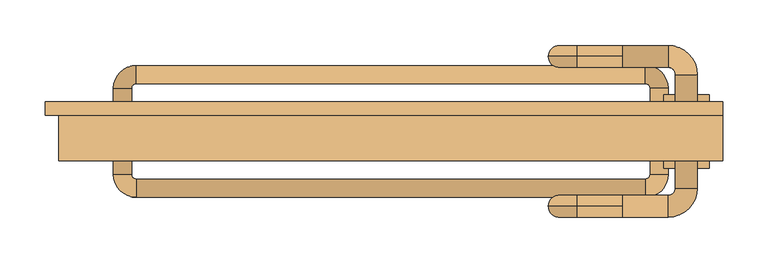
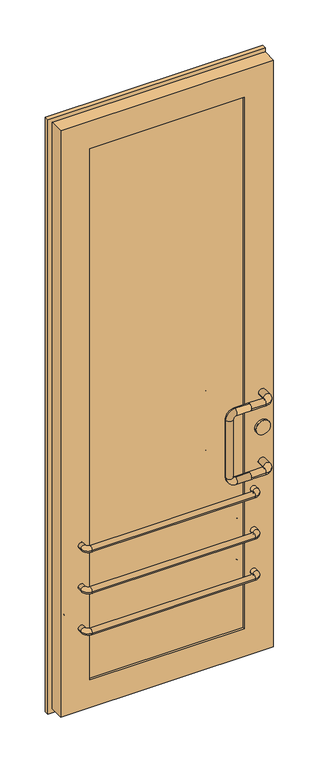
"""IFC4 building model written with IfcOpenShell, lengths in millimetres: door geometry."""

from ifc_helpers import new_model, si_unit, point, frame, frame_2d, origin, place, context, project, spatial, polyline, circle_curve, ellipse_curve, trimmed, segment, composite_curve, outline, extrude, faceted_brep, source, transform, mapped, element, save
from ifc_brep_helpers import cylinder_surface, revolved_surface, advanced_brep


def door_cca6e81a(model_context):
    return source(origin(), model_context, "Body", "SolidModel", [
        faceted_brep([(-100.0, 47.5, 160.0), (-631.3125, 47.5, 160.0), (-631.3125, -17.5, 160.0), (-100.0, -17.5, 160.0), (-746.3125, 47.5, 45.0), (0.0, 47.5, 45.0), (0.0, 32.5, 45.0), (-746.3125, 32.5, 45.0), (0.0, -17.5, 60.0), (-731.3125, -17.5, 60.0), (-731.3125, 32.5, 60.0), (0.0, 32.5, 60.0), (-631.3125, 47.5, 2090.125), (-631.3125, -17.5, 2090.125), (-746.3125, 32.5, 2205.125), (-746.3125, 47.5, 2205.125), (-731.3125, -17.5, 2190.125), (-731.3125, 32.5, 2190.125), (-100.0, 47.5, 2090.125), (-100.0, -17.5, 2090.125), (0.0, 32.5, 2205.125), (0.0, 47.5, 2205.125), (0.0, -17.5, 2190.125), (0.0, 32.5, 2190.125)], [[[0, 1, 2, 3]], [[4, 5, 6, 7]], [[8, 9, 10, 11]], [[1, 12, 13, 2]], [[7, 14, 15, 4]], [[9, 16, 17, 10]], [[12, 18, 19, 13]], [[14, 20, 21, 15]], [[16, 22, 23, 17]], [[3, 19, 18, 0]], [[15, 21, 5, 4], [0, 18, 12, 1]], [[10, 17, 23, 20, 14, 7, 6, 11]], [[11, 6, 5, 21, 20, 23, 22, 8]], [[8, 22, 16, 9], [2, 13, 19, 3]]]),
        advanced_brep(
        [(-60.0, -32.5, 360.0), (-60.0, 62.5, 360.0), (-80.0, 62.5, 360.0), (-80.0, -32.5, 360.0), (-85.0, 87.5, 360.0), (-85.0, 67.5, 360.0), (-646.3125, 87.5, 360.0), (-646.3125, 67.5, 360.0), (-671.3125, 62.5, 360.0), (-651.3125, 62.5, 360.0), (-671.3125, -32.5, 360.0), (-651.3125, -32.5, 360.0), (-646.3125, -57.5, 360.0), (-646.3125, -37.5, 360.0), (-85.0, -57.5, 360.0), (-85.0, -37.5, 360.0)],
        [
            (0, 1),
            (1, 2, circle_curve(frame((-70.0, 62.5, 360.0), z_axis=(0.0, -1.0, 0.0), x_axis=(1.0, 0.0, 0.0)), 10.0)),
            (2, 3),
            (3, 0, circle_curve(frame((-70.0, -32.5, 360.0), z_axis=(0.0, 1.0, 0.0), x_axis=(1.0, 0.0, 0.0)), 10.0)),
            (2, 1, circle_curve(frame((-70.0, 62.5, 360.0), z_axis=(0.0, -1.0, 0.0), x_axis=(1.0, 0.0, 0.0)), 10.0)),
            (0, 3, circle_curve(frame((-70.0, -32.5, 360.0), z_axis=(0.0, 1.0, 0.0), x_axis=(1.0, 0.0, 0.0)), 10.0)),
            (4, 5, circle_curve(frame((-85.0, 77.5, 360.0), z_axis=(1.0, 0.0, 0.0), x_axis=(0.0, 1.0, 0.0)), 10.0)),
            (5, 2, circle_curve(frame((-85.0, 62.5, 360.0), z_axis=(0.0, 0.0, -1.0), x_axis=(1.0, 0.0, 0.0)), 5.0)),
            (1, 4, circle_curve(frame((-85.0, 62.5, 360.0), z_axis=(0.0, 0.0, 1.0), x_axis=(1.0, 0.0, 0.0)), 25.0)),
            (5, 4, circle_curve(frame((-85.0, 77.5, 360.0), z_axis=(1.0, 0.0, 0.0), x_axis=(0.0, 1.0, 0.0)), 10.0)),
            (4, 6),
            (6, 7, circle_curve(frame((-646.3125, 77.5, 360.0), z_axis=(1.0, 0.0, 0.0), x_axis=(0.0, 1.0, 0.0)), 10.0)),
            (7, 5),
            (7, 6, circle_curve(frame((-646.3125, 77.5, 360.0), z_axis=(1.0, 0.0, 0.0), x_axis=(0.0, 1.0, 0.0)), 10.0)),
            (8, 9, circle_curve(frame((-661.3125, 62.5, 360.0), z_axis=(0.0, 1.0, 0.0), x_axis=(-1.0, 0.0, 0.0)), 10.0)),
            (9, 7, circle_curve(frame((-646.3125, 62.5, 360.0), z_axis=(0.0, 0.0, -1.0), x_axis=(0.0, 1.0, 0.0)), 5.0)),
            (6, 8, circle_curve(frame((-646.3125, 62.5, 360.0), z_axis=(0.0, 0.0, 1.0), x_axis=(0.0, 1.0, 0.0)), 25.0)),
            (9, 8, circle_curve(frame((-661.3125, 62.5, 360.0), z_axis=(0.0, 1.0, 0.0), x_axis=(-1.0, 0.0, 0.0)), 10.0)),
            (8, 10),
            (10, 11, circle_curve(frame((-661.3125, -32.5, 360.0), z_axis=(0.0, 1.0, 0.0), x_axis=(-1.0, 0.0, 0.0)), 10.0)),
            (11, 9),
            (11, 10, circle_curve(frame((-661.3125, -32.5, 360.0), z_axis=(0.0, 1.0, 0.0), x_axis=(-1.0, 0.0, 0.0)), 10.0)),
            (12, 13, circle_curve(frame((-646.3125, -47.5, 360.0), z_axis=(-1.0, 0.0, 0.0), x_axis=(0.0, -1.0, 0.0)), 10.0)),
            (13, 11, circle_curve(frame((-646.3125, -32.5, 360.0), z_axis=(0.0, 0.0, -1.0), x_axis=(-1.0, 0.0, 0.0)), 5.0)),
            (10, 12, circle_curve(frame((-646.3125, -32.5, 360.0), z_axis=(0.0, 0.0, 1.0), x_axis=(-1.0, 0.0, 0.0)), 25.0)),
            (13, 12, circle_curve(frame((-646.3125, -47.5, 360.0), z_axis=(-1.0, 0.0, 0.0), x_axis=(0.0, -1.0, 0.0)), 10.0)),
            (12, 14),
            (14, 15, circle_curve(frame((-85.0, -47.5, 360.0), z_axis=(-1.0, 0.0, 0.0), x_axis=(0.0, -1.0, 0.0)), 10.0)),
            (15, 13),
            (15, 14, circle_curve(frame((-85.0, -47.5, 360.0), z_axis=(-1.0, 0.0, 0.0), x_axis=(0.0, -1.0, 0.0)), 10.0)),
            (3, 15, circle_curve(frame((-85.0, -32.5, 360.0), z_axis=(0.0, 0.0, -1.0), x_axis=(0.0, -1.0, 0.0)), 5.0)),
            (14, 0, circle_curve(frame((-85.0, -32.5, 360.0), z_axis=(0.0, 0.0, 1.0), x_axis=(0.0, -1.0, 0.0)), 25.0)),
        ],
        [
            cylinder_surface(frame((-70.0, -32.5, 360.0), z_axis=(0.0, -1.0, 0.0), x_axis=(1.0, 0.0, 0.0)), 10.0),
            revolved_surface(trimmed(ellipse_curve(frame((-70.0, 62.5, 360.0), z_axis=(0.0, 1.0, 0.0), x_axis=(1.0, 0.0, 0.0)), 10.0, 10.0), [point((-80.0, 62.5, 360.0))], [point((-60.0, 62.5, 360.0))], True, "CARTESIAN"), (-85.0, 62.5, 360.0), (0.0, 0.0, -1.0)),
            revolved_surface(trimmed(ellipse_curve(frame((-70.0, 62.5, 360.0), z_axis=(0.0, 1.0, 0.0), x_axis=(1.0, 0.0, 0.0)), 10.0, 10.0), [point((-60.0, 62.5, 360.0))], [point((-80.0, 62.5, 360.0))], True, "CARTESIAN"), (-85.0, 62.5, 360.0), (0.0, 0.0, -1.0)),
            cylinder_surface(frame((-85.0, 77.5, 360.0), z_axis=(1.0, 0.0, 0.0), x_axis=(0.0, 1.0, 0.0)), 10.0),
            revolved_surface(trimmed(ellipse_curve(frame((-646.3125, 77.5, 360.0), z_axis=(-1.0, 0.0, 0.0), x_axis=(0.0, 1.0, 0.0)), 10.0, 10.0), [point((-646.3125, 67.5, 360.0))], [point((-646.3125, 87.5, 360.0))], True, "CARTESIAN"), (-646.3125, 62.5, 360.0), (0.0, 0.0, -1.0)),
            revolved_surface(trimmed(ellipse_curve(frame((-646.3125, 77.5, 360.0), z_axis=(-1.0, 0.0, 0.0), x_axis=(0.0, 1.0, 0.0)), 10.0, 10.0), [point((-646.3125, 87.5, 360.0))], [point((-646.3125, 67.5, 360.0))], True, "CARTESIAN"), (-646.3125, 62.5, 360.0), (0.0, 0.0, -1.0)),
            cylinder_surface(frame((-661.3125, 62.5, 360.0), z_axis=(0.0, 1.0, 0.0), x_axis=(-1.0, 0.0, 0.0)), 10.0),
            revolved_surface(trimmed(ellipse_curve(frame((-661.3125, -32.5, 360.0), z_axis=(0.0, -1.0, 0.0), x_axis=(-1.0, 0.0, 0.0)), 10.0, 10.0), [point((-651.3125, -32.5, 360.0))], [point((-671.3125, -32.5, 360.0))], True, "CARTESIAN"), (-646.3125, -32.5, 360.0), (0.0, 0.0, -1.0)),
            revolved_surface(trimmed(ellipse_curve(frame((-661.3125, -32.5, 360.0), z_axis=(0.0, -1.0, 0.0), x_axis=(-1.0, 0.0, 0.0)), 10.0, 10.0), [point((-671.3125, -32.5, 360.0))], [point((-651.3125, -32.5, 360.0))], True, "CARTESIAN"), (-646.3125, -32.5, 360.0), (0.0, 0.0, -1.0)),
            cylinder_surface(frame((-646.3125, -47.5, 360.0), z_axis=(-1.0, 0.0, 0.0), x_axis=(0.0, -1.0, 0.0)), 10.0),
            revolved_surface(trimmed(ellipse_curve(frame((-85.0, -47.5, 360.0), z_axis=(1.0, 0.0, 0.0), x_axis=(0.0, -1.0, 0.0)), 10.0, 10.0), [point((-85.0, -37.5, 360.0))], [point((-85.0, -57.5, 360.0))], True, "CARTESIAN"), (-85.0, -32.5, 360.0), (0.0, 0.0, -1.0)),
            revolved_surface(trimmed(ellipse_curve(frame((-85.0, -47.5, 360.0), z_axis=(1.0, 0.0, 0.0), x_axis=(0.0, -1.0, 0.0)), 10.0, 10.0), [point((-85.0, -57.5, 360.0))], [point((-85.0, -37.5, 360.0))], True, "CARTESIAN"), (-85.0, -32.5, 360.0), (0.0, 0.0, -1.0)),
        ],
        [
            (0, [[1, 2, 3, 4]]),
            (0, [[-3, 5, -1, 6]]),
            (1, [[7, 8, -2, 9]]),
            (2, [[10, -9, -5, -8]]),
            (3, [[11, 12, 13, -7]]),
            (3, [[-13, 14, -11, -10]]),
            (4, [[15, 16, -12, 17]]),
            (5, [[18, -17, -14, -16]]),
            (6, [[19, 20, 21, -15]]),
            (6, [[-21, 22, -19, -18]]),
            (7, [[23, 24, -20, 25]]),
            (8, [[26, -25, -22, -24]]),
            (9, [[27, 28, 29, -23]]),
            (9, [[-29, 30, -27, -26]]),
            (10, [[-4, 31, -28, 32]]),
            (11, [[-6, -32, -30, -31]]),
        ],
    ),
        advanced_brep(
        [(-60.0, -32.5, 510.0), (-60.0, 62.5, 510.0), (-80.0, 62.5, 510.0), (-80.0, -32.5, 510.0), (-85.0, 87.5, 510.0), (-85.0, 67.5, 510.0), (-646.3125, 87.5, 510.0), (-646.3125, 67.5, 510.0), (-671.3125, 62.5, 510.0), (-651.3125, 62.5, 510.0), (-671.3125, -32.5, 510.0), (-651.3125, -32.5, 510.0), (-646.3125, -57.5, 510.0), (-646.3125, -37.5, 510.0), (-85.0, -57.5, 510.0), (-85.0, -37.5, 510.0)],
        [
            (0, 1),
            (1, 2, circle_curve(frame((-70.0, 62.5, 510.0), z_axis=(0.0, -1.0, 0.0), x_axis=(1.0, 0.0, 0.0)), 10.0)),
            (2, 3),
            (3, 0, circle_curve(frame((-70.0, -32.5, 510.0), z_axis=(0.0, 1.0, 0.0), x_axis=(1.0, 0.0, 0.0)), 10.0)),
            (2, 1, circle_curve(frame((-70.0, 62.5, 510.0), z_axis=(0.0, -1.0, 0.0), x_axis=(1.0, 0.0, 0.0)), 10.0)),
            (0, 3, circle_curve(frame((-70.0, -32.5, 510.0), z_axis=(0.0, 1.0, 0.0), x_axis=(1.0, 0.0, 0.0)), 10.0)),
            (4, 5, circle_curve(frame((-85.0, 77.5, 510.0), z_axis=(1.0, 0.0, 0.0), x_axis=(0.0, 1.0, 0.0)), 10.0)),
            (5, 2, circle_curve(frame((-85.0, 62.5, 510.0), z_axis=(0.0, 0.0, -1.0), x_axis=(1.0, 0.0, 0.0)), 5.0)),
            (1, 4, circle_curve(frame((-85.0, 62.5, 510.0), z_axis=(0.0, 0.0, 1.0), x_axis=(1.0, 0.0, 0.0)), 25.0)),
            (5, 4, circle_curve(frame((-85.0, 77.5, 510.0), z_axis=(1.0, 0.0, 0.0), x_axis=(0.0, 1.0, 0.0)), 10.0)),
            (4, 6),
            (6, 7, circle_curve(frame((-646.3125, 77.5, 510.0), z_axis=(1.0, 0.0, 0.0), x_axis=(0.0, 1.0, 0.0)), 10.0)),
            (7, 5),
            (7, 6, circle_curve(frame((-646.3125, 77.5, 510.0), z_axis=(1.0, 0.0, 0.0), x_axis=(0.0, 1.0, 0.0)), 10.0)),
            (8, 9, circle_curve(frame((-661.3125, 62.5, 510.0), z_axis=(0.0, 1.0, 0.0), x_axis=(-1.0, 0.0, 0.0)), 10.0)),
            (9, 7, circle_curve(frame((-646.3125, 62.5, 510.0), z_axis=(0.0, 0.0, -1.0), x_axis=(0.0, 1.0, 0.0)), 5.0)),
            (6, 8, circle_curve(frame((-646.3125, 62.5, 510.0), z_axis=(0.0, 0.0, 1.0), x_axis=(0.0, 1.0, 0.0)), 25.0)),
            (9, 8, circle_curve(frame((-661.3125, 62.5, 510.0), z_axis=(0.0, 1.0, 0.0), x_axis=(-1.0, 0.0, 0.0)), 10.0)),
            (8, 10),
            (10, 11, circle_curve(frame((-661.3125, -32.5, 510.0), z_axis=(0.0, 1.0, 0.0), x_axis=(-1.0, 0.0, 0.0)), 10.0)),
            (11, 9),
            (11, 10, circle_curve(frame((-661.3125, -32.5, 510.0), z_axis=(0.0, 1.0, 0.0), x_axis=(-1.0, 0.0, 0.0)), 10.0)),
            (12, 13, circle_curve(frame((-646.3125, -47.5, 510.0), z_axis=(-1.0, 0.0, 0.0), x_axis=(0.0, -1.0, 0.0)), 10.0)),
            (13, 11, circle_curve(frame((-646.3125, -32.5, 510.0), z_axis=(0.0, 0.0, -1.0), x_axis=(-1.0, 1.264444445123043e-12, 0.0)), 5.0)),
            (10, 12, circle_curve(frame((-646.3125, -32.5, 510.0), z_axis=(0.0, 0.0, 1.0), x_axis=(-1.0, 1.264444445123043e-12, 0.0)), 25.0)),
            (13, 12, circle_curve(frame((-646.3125, -47.5, 510.0), z_axis=(-1.0, 0.0, 0.0), x_axis=(0.0, -1.0, 0.0)), 10.0)),
            (12, 14),
            (14, 15, circle_curve(frame((-85.0, -47.5, 510.0), z_axis=(-1.0, 0.0, 0.0), x_axis=(0.0, -1.0, 0.0)), 10.0)),
            (15, 13),
            (15, 14, circle_curve(frame((-85.0, -47.5, 510.0), z_axis=(-1.0, 0.0, 0.0), x_axis=(0.0, -1.0, 0.0)), 10.0)),
            (3, 15, circle_curve(frame((-85.0, -32.5, 510.0), z_axis=(0.0, 0.0, -1.0), x_axis=(0.0, -1.0, 0.0)), 5.0)),
            (14, 0, circle_curve(frame((-85.0, -32.5, 510.0), z_axis=(0.0, 0.0, 1.0), x_axis=(0.0, -1.0, 0.0)), 25.0)),
        ],
        [
            cylinder_surface(frame((-70.0, -32.5, 510.0), z_axis=(0.0, -1.0, 0.0), x_axis=(1.0, 0.0, 0.0)), 10.0),
            revolved_surface(trimmed(ellipse_curve(frame((-70.0, 62.5, 510.0), z_axis=(0.0, 1.0, 0.0), x_axis=(1.0, 0.0, 0.0)), 10.0, 10.0), [point((-80.0, 62.5, 510.0))], [point((-60.0, 62.5, 510.0))], True, "CARTESIAN"), (-85.0, 62.5, 510.0), (0.0, 0.0, -1.0)),
            revolved_surface(trimmed(ellipse_curve(frame((-70.0, 62.5, 510.0), z_axis=(0.0, 1.0, 0.0), x_axis=(1.0, 0.0, 0.0)), 10.0, 10.0), [point((-60.0, 62.5, 510.0))], [point((-80.0, 62.5, 510.0))], True, "CARTESIAN"), (-85.0, 62.5, 510.0), (0.0, 0.0, -1.0)),
            cylinder_surface(frame((-85.0, 77.5, 510.0), z_axis=(1.0, 0.0, 0.0), x_axis=(0.0, 1.0, 0.0)), 10.0),
            revolved_surface(trimmed(ellipse_curve(frame((-646.3125, 77.5, 510.0), z_axis=(-1.0, 0.0, 0.0), x_axis=(0.0, 1.0, 0.0)), 10.0, 10.0), [point((-646.3125, 67.5, 510.0))], [point((-646.3125, 87.5, 510.0))], True, "CARTESIAN"), (-646.3125, 62.5, 510.0), (0.0, 0.0, -1.0)),
            revolved_surface(trimmed(ellipse_curve(frame((-646.3125, 77.5, 510.0), z_axis=(-1.0, 0.0, 0.0), x_axis=(0.0, 1.0, 0.0)), 10.0, 10.0), [point((-646.3125, 87.5, 510.0))], [point((-646.3125, 67.5, 510.0))], True, "CARTESIAN"), (-646.3125, 62.5, 510.0), (0.0, 0.0, -1.0)),
            cylinder_surface(frame((-661.3125, 62.5, 510.0), z_axis=(0.0, 1.0, 0.0), x_axis=(-1.0, 0.0, 0.0)), 10.0),
            revolved_surface(trimmed(ellipse_curve(frame((-661.3125, -32.5, 510.0), z_axis=(-1.2644444451230432e-12, -1.0, 0.0), x_axis=(-1.0, 1.2644444451230432e-12, 0.0)), 10.0, 10.0), [point((-651.3125, -32.5, 510.0))], [point((-671.3125, -32.5, 510.0))], True, "CARTESIAN"), (-646.3125, -32.5, 510.0), (0.0, 0.0, -1.0)),
            revolved_surface(trimmed(ellipse_curve(frame((-661.3125, -32.5, 510.0), z_axis=(-1.2644444451230432e-12, -1.0, 0.0), x_axis=(-1.0, 1.2644444451230432e-12, 0.0)), 10.0, 10.0), [point((-671.3125, -32.5, 510.0))], [point((-651.3125, -32.5, 510.0))], True, "CARTESIAN"), (-646.3125, -32.5, 510.0), (0.0, 0.0, -1.0)),
            cylinder_surface(frame((-646.3125, -47.5, 510.0), z_axis=(-1.0, 0.0, 0.0), x_axis=(0.0, -1.0, 0.0)), 10.0),
            revolved_surface(trimmed(ellipse_curve(frame((-85.0, -47.5, 510.0), z_axis=(1.0, 0.0, 0.0), x_axis=(0.0, -1.0, 0.0)), 10.0, 10.0), [point((-85.0, -37.5, 510.0))], [point((-85.0, -57.5, 510.0))], True, "CARTESIAN"), (-85.0, -32.5, 510.0), (0.0, 0.0, -1.0)),
            revolved_surface(trimmed(ellipse_curve(frame((-85.0, -47.5, 510.0), z_axis=(1.0, 0.0, 0.0), x_axis=(0.0, -1.0, 0.0)), 10.0, 10.0), [point((-85.0, -57.5, 510.0))], [point((-85.0, -37.5, 510.0))], True, "CARTESIAN"), (-85.0, -32.5, 510.0), (0.0, 0.0, -1.0)),
        ],
        [
            (0, [[1, 2, 3, 4]]),
            (0, [[-3, 5, -1, 6]]),
            (1, [[7, 8, -2, 9]]),
            (2, [[10, -9, -5, -8]]),
            (3, [[11, 12, 13, -7]]),
            (3, [[-13, 14, -11, -10]]),
            (4, [[15, 16, -12, 17]]),
            (5, [[18, -17, -14, -16]]),
            (6, [[19, 20, 21, -15]]),
            (6, [[-21, 22, -19, -18]]),
            (7, [[23, 24, -20, 25]]),
            (8, [[26, -25, -22, -24]]),
            (9, [[27, 28, 29, -23]]),
            (9, [[-29, 30, -27, -26]]),
            (10, [[-4, 31, -28, 32]]),
            (11, [[-6, -32, -30, -31]]),
        ],
    ),
        advanced_brep(
        [(-60.0, -32.5, 660.0), (-60.0, 62.5, 660.0), (-80.0, 62.5, 660.0), (-80.0, -32.5, 660.0), (-85.0, 87.5, 660.0), (-85.0, 67.5, 660.0), (-646.3125, 87.5, 660.0), (-646.3125, 67.5, 660.0), (-671.3125, 62.5, 660.0), (-651.3125, 62.5, 660.0), (-671.3125, -32.5, 660.0), (-651.3125, -32.5, 660.0), (-646.3125, -57.5, 660.0), (-646.3125, -37.5, 660.0), (-85.0, -57.5, 660.0), (-85.0, -37.5, 660.0)],
        [
            (0, 1),
            (1, 2, circle_curve(frame((-70.0, 62.5, 660.0), z_axis=(0.0, -1.0, 0.0), x_axis=(1.0, 0.0, 0.0)), 10.0)),
            (2, 3),
            (3, 0, circle_curve(frame((-70.0, -32.5, 660.0), z_axis=(0.0, 1.0, 0.0), x_axis=(1.0, 0.0, 0.0)), 10.0)),
            (2, 1, circle_curve(frame((-70.0, 62.5, 660.0), z_axis=(0.0, -1.0, 0.0), x_axis=(1.0, 0.0, 0.0)), 10.0)),
            (0, 3, circle_curve(frame((-70.0, -32.5, 660.0), z_axis=(0.0, 1.0, 0.0), x_axis=(1.0, 0.0, 0.0)), 10.0)),
            (4, 5, circle_curve(frame((-85.0, 77.5, 660.0), z_axis=(1.0, 0.0, 0.0), x_axis=(0.0, 1.0, 0.0)), 10.0)),
            (5, 2, circle_curve(frame((-85.0, 62.5, 660.0), z_axis=(0.0, 0.0, -1.0), x_axis=(1.0, 0.0, 0.0)), 5.0)),
            (1, 4, circle_curve(frame((-85.0, 62.5, 660.0), z_axis=(0.0, 0.0, 1.0), x_axis=(1.0, 0.0, 0.0)), 25.0)),
            (5, 4, circle_curve(frame((-85.0, 77.5, 660.0), z_axis=(1.0, 0.0, 0.0), x_axis=(0.0, 1.0, 0.0)), 10.0)),
            (4, 6),
            (6, 7, circle_curve(frame((-646.3125, 77.5, 660.0), z_axis=(1.0, 0.0, 0.0), x_axis=(0.0, 1.0, 0.0)), 10.0)),
            (7, 5),
            (7, 6, circle_curve(frame((-646.3125, 77.5, 660.0), z_axis=(1.0, 0.0, 0.0), x_axis=(0.0, 1.0, 0.0)), 10.0)),
            (8, 9, circle_curve(frame((-661.3125, 62.5, 660.0), z_axis=(0.0, 1.0, 0.0), x_axis=(-1.0, 0.0, 0.0)), 10.0)),
            (9, 7, circle_curve(frame((-646.3125, 62.5, 660.0), z_axis=(0.0, 0.0, -1.0), x_axis=(0.0, 1.0, 0.0)), 5.0)),
            (6, 8, circle_curve(frame((-646.3125, 62.5, 660.0), z_axis=(0.0, 0.0, 1.0), x_axis=(0.0, 1.0, 0.0)), 25.0)),
            (9, 8, circle_curve(frame((-661.3125, 62.5, 660.0), z_axis=(0.0, 1.0, 0.0), x_axis=(-1.0, 0.0, 0.0)), 10.0)),
            (8, 10),
            (10, 11, circle_curve(frame((-661.3125, -32.5, 660.0), z_axis=(0.0, 1.0, 0.0), x_axis=(-1.0, 0.0, 0.0)), 10.0)),
            (11, 9),
            (11, 10, circle_curve(frame((-661.3125, -32.5, 660.0), z_axis=(0.0, 1.0, 0.0), x_axis=(-1.0, 0.0, 0.0)), 10.0)),
            (12, 13, circle_curve(frame((-646.3125, -47.5, 660.0), z_axis=(-1.0, 0.0, 0.0), x_axis=(0.0, -1.0, 0.0)), 10.0)),
            (13, 11, circle_curve(frame((-646.3125, -32.5, 660.0), z_axis=(0.0, 0.0, -1.0), x_axis=(-1.0, 1.5353388631315812e-12, 0.0)), 5.0)),
            (10, 12, circle_curve(frame((-646.3125, -32.5, 660.0), z_axis=(0.0, 0.0, 1.0), x_axis=(-1.0, 1.5353388631315812e-12, 0.0)), 25.0)),
            (13, 12, circle_curve(frame((-646.3125, -47.5, 660.0), z_axis=(-1.0, 0.0, 0.0), x_axis=(0.0, -1.0, 0.0)), 10.0)),
            (12, 14),
            (14, 15, circle_curve(frame((-85.0, -47.5, 660.0), z_axis=(-1.0, 0.0, 0.0), x_axis=(0.0, -1.0, 0.0)), 10.0)),
            (15, 13),
            (15, 14, circle_curve(frame((-85.0, -47.5, 660.0), z_axis=(-1.0, 0.0, 0.0), x_axis=(0.0, -1.0, 0.0)), 10.0)),
            (3, 15, circle_curve(frame((-85.0, -32.5, 660.0), z_axis=(0.0, 0.0, -1.0), x_axis=(0.0, -1.0, 0.0)), 5.0)),
            (14, 0, circle_curve(frame((-85.0, -32.5, 660.0), z_axis=(0.0, 0.0, 1.0), x_axis=(0.0, -1.0, 0.0)), 25.0)),
        ],
        [
            cylinder_surface(frame((-70.0, -32.5, 660.0), z_axis=(0.0, -1.0, 0.0), x_axis=(1.0, 0.0, 0.0)), 10.0),
            revolved_surface(trimmed(ellipse_curve(frame((-70.0, 62.5, 660.0), z_axis=(0.0, 1.0, 0.0), x_axis=(1.0, 0.0, 0.0)), 10.0, 10.0), [point((-80.0, 62.5, 660.0))], [point((-60.0, 62.5, 660.0))], True, "CARTESIAN"), (-85.0, 62.5, 660.0), (0.0, 0.0, -1.0)),
            revolved_surface(trimmed(ellipse_curve(frame((-70.0, 62.5, 660.0), z_axis=(0.0, 1.0, 0.0), x_axis=(1.0, 0.0, 0.0)), 10.0, 10.0), [point((-60.0, 62.5, 660.0))], [point((-80.0, 62.5, 660.0))], True, "CARTESIAN"), (-85.0, 62.5, 660.0), (0.0, 0.0, -1.0)),
            cylinder_surface(frame((-85.0, 77.5, 660.0), z_axis=(1.0, 0.0, 0.0), x_axis=(0.0, 1.0, 0.0)), 10.0),
            revolved_surface(trimmed(ellipse_curve(frame((-646.3125, 77.5, 660.0), z_axis=(-1.0, 0.0, 0.0), x_axis=(0.0, 1.0, 0.0)), 10.0, 10.0), [point((-646.3125, 67.5, 660.0))], [point((-646.3125, 87.5, 660.0))], True, "CARTESIAN"), (-646.3125, 62.5, 660.0), (0.0, 0.0, -1.0)),
            revolved_surface(trimmed(ellipse_curve(frame((-646.3125, 77.5, 660.0), z_axis=(-1.0, 0.0, 0.0), x_axis=(0.0, 1.0, 0.0)), 10.0, 10.0), [point((-646.3125, 87.5, 660.0))], [point((-646.3125, 67.5, 660.0))], True, "CARTESIAN"), (-646.3125, 62.5, 660.0), (0.0, 0.0, -1.0)),
            cylinder_surface(frame((-661.3125, 62.5, 660.0), z_axis=(0.0, 1.0, 0.0), x_axis=(-1.0, 0.0, 0.0)), 10.0),
            revolved_surface(trimmed(ellipse_curve(frame((-661.3125, -32.5, 660.0), z_axis=(-1.5353388631315812e-12, -1.0, 0.0), x_axis=(-1.0, 1.5353388631315812e-12, 0.0)), 10.0, 10.0), [point((-651.3125, -32.5, 660.0))], [point((-671.3125, -32.5, 660.0))], True, "CARTESIAN"), (-646.3125, -32.5, 660.0), (0.0, 0.0, -1.0)),
            revolved_surface(trimmed(ellipse_curve(frame((-661.3125, -32.5, 660.0), z_axis=(-1.5353388631315812e-12, -1.0, 0.0), x_axis=(-1.0, 1.5353388631315812e-12, 0.0)), 10.0, 10.0), [point((-671.3125, -32.5, 660.0))], [point((-651.3125, -32.5, 660.0))], True, "CARTESIAN"), (-646.3125, -32.5, 660.0), (0.0, 0.0, -1.0)),
            cylinder_surface(frame((-646.3125, -47.5, 660.0), z_axis=(-1.0, 0.0, 0.0), x_axis=(0.0, -1.0, 0.0)), 10.0),
            revolved_surface(trimmed(ellipse_curve(frame((-85.0, -47.5, 660.0), z_axis=(1.0, 0.0, 0.0), x_axis=(0.0, -1.0, 0.0)), 10.0, 10.0), [point((-85.0, -37.5, 660.0))], [point((-85.0, -57.5, 660.0))], True, "CARTESIAN"), (-85.0, -32.5, 660.0), (0.0, 0.0, -1.0)),
            revolved_surface(trimmed(ellipse_curve(frame((-85.0, -47.5, 660.0), z_axis=(1.0, 0.0, 0.0), x_axis=(0.0, -1.0, 0.0)), 10.0, 10.0), [point((-85.0, -57.5, 660.0))], [point((-85.0, -37.5, 660.0))], True, "CARTESIAN"), (-85.0, -32.5, 660.0), (0.0, 0.0, -1.0)),
        ],
        [
            (0, [[1, 2, 3, 4]]),
            (0, [[-3, 5, -1, 6]]),
            (1, [[7, 8, -2, 9]]),
            (2, [[10, -9, -5, -8]]),
            (3, [[11, 12, 13, -7]]),
            (3, [[-13, 14, -11, -10]]),
            (4, [[15, 16, -12, 17]]),
            (5, [[18, -17, -14, -16]]),
            (6, [[19, 20, 21, -15]]),
            (6, [[-21, 22, -19, -18]]),
            (7, [[23, 24, -20, 25]]),
            (8, [[26, -25, -22, -24]]),
            (9, [[27, 28, 29, -23]]),
            (9, [[-29, 30, -27, -26]]),
            (10, [[-4, 31, -28, 32]]),
            (11, [[-6, -32, -30, -31]]),
        ],
    ),
        extrude(outline(polyline([(-100.0, 24.5), (-100.0, -9.5), (-631.3125, -9.5), (-631.3125, 24.5), (-100.0, 24.5)])), frame((0.0, 0.0, 160.0), z_axis=(0.0, 0.0, 1.0), x_axis=(1.0, 0.0, 0.0)), (0.0, 0.0, 1.0), 1930.125),
        advanced_brep(
        [(-110.0, 109.5, 1000.0), (-110.0, 97.5, 1012.0), (-110.0, 85.5, 1000.0), (-60.0, 85.5, 1000.0), (-60.0, 109.5, 1000.0), (-110.0, 97.5, 988.0), (-52.0, 77.5, 1000.0), (-28.0, 77.5, 1000.0), (-52.0, -47.5, 1000.0), (-28.0, -47.5, 1000.0), (-60.0, -55.5, 1000.0), (-60.0, -79.5, 1000.0), (-110.0, -55.5, 1000.0), (-110.0, -67.5, 1012.0), (-110.0, -79.5, 1000.0), (-110.0, -67.5, 988.0), (-160.0, 97.5, 1012.0), (-160.0, 97.5, 988.0), (-192.0, 97.5, 980.0), (-168.0, 97.5, 980.0), (-192.0, 97.5, 770.0), (-168.0, 97.5, 770.0), (-160.0, 97.5, 738.0), (-160.0, 97.5, 762.0), (-110.0, 97.5, 738.0), (-110.0, 85.5, 750.0), (-110.0, 97.5, 762.0), (-110.0, 109.5, 750.0), (-60.0, 85.5, 750.0), (-60.0, 109.5, 750.0), (-52.0, 77.5, 750.0), (-28.0, 77.5, 750.0), (-52.0, -47.5, 750.0), (-28.0, -47.5, 750.0), (-60.0, -55.5, 750.0), (-60.0, -79.5, 750.0), (-110.0, -55.5, 750.0), (-110.0, -67.5, 762.0), (-110.0, -79.5, 750.0), (-110.0, -67.5, 738.0), (-160.0, -67.5, 1012.0), (-160.0, -67.5, 988.0), (-192.0, -67.5, 980.0), (-168.0, -67.5, 980.0), (-192.0, -67.5, 770.0), (-168.0, -67.5, 770.0), (-160.0, -67.5, 738.0), (-160.0, -67.5, 762.0)],
        [
            (0, 1, circle_curve(frame((-110.0, 97.5, 1000.0), z_axis=(1.0, 0.0, 0.0), x_axis=(0.0, -1.0, 0.0)), 12.0)),
            (1, 2, circle_curve(frame((-110.0, 97.5, 1000.0), z_axis=(1.0, 0.0, 0.0), x_axis=(0.0, -1.0, 0.0)), 12.0)),
            (2, 3),
            (3, 4, circle_curve(frame((-60.0, 97.5, 1000.0), z_axis=(-1.0, 0.0, 0.0), x_axis=(0.0, -1.0, 0.0)), 12.0)),
            (4, 0),
            (4, 3, circle_curve(frame((-60.0, 97.5, 1000.0), z_axis=(-1.0, 0.0, 0.0), x_axis=(0.0, -1.0, 0.0)), 12.0)),
            (2, 5, circle_curve(frame((-110.0, 97.5, 1000.0), z_axis=(1.0, 0.0, 0.0), x_axis=(0.0, -1.0, 0.0)), 12.0)),
            (5, 0, circle_curve(frame((-110.0, 97.5, 1000.0), z_axis=(1.0, 0.0, 0.0), x_axis=(0.0, -1.0, 0.0)), 12.0)),
            (3, 6, circle_curve(frame((-60.0, 77.5, 1000.0), z_axis=(0.0, 0.0, -1.0), x_axis=(0.0, 1.0, 0.0)), 8.0)),
            (6, 7, circle_curve(frame((-40.0, 77.5, 1000.0), z_axis=(0.0, 1.0, 0.0), x_axis=(-1.0, 0.0, 0.0)), 12.0)),
            (7, 4, circle_curve(frame((-60.0, 77.5, 1000.0), z_axis=(0.0, 0.0, 1.0), x_axis=(0.0, 1.0, 0.0)), 32.0)),
            (7, 6, circle_curve(frame((-40.0, 77.5, 1000.0), z_axis=(0.0, 1.0, 0.0), x_axis=(-1.0, 0.0, 0.0)), 12.0)),
            (6, 8),
            (8, 9, circle_curve(frame((-40.0, -47.5, 1000.0), z_axis=(0.0, 1.0, 0.0), x_axis=(-1.0, 0.0, 0.0)), 12.0)),
            (9, 7),
            (9, 8, circle_curve(frame((-40.0, -47.5, 1000.0), z_axis=(0.0, 1.0, 0.0), x_axis=(-1.0, 0.0, 0.0)), 12.0)),
            (8, 10, circle_curve(frame((-60.0, -47.5, 1000.0), z_axis=(0.0, 0.0, -1.0), x_axis=(1.0, 0.0, 0.0)), 8.0)),
            (10, 11, circle_curve(frame((-60.0, -67.5, 1000.0), z_axis=(1.0, 0.0, 0.0), x_axis=(0.0, 1.0, 0.0)), 12.0)),
            (11, 9, circle_curve(frame((-60.0, -47.5, 1000.0), z_axis=(0.0, 0.0, 1.0), x_axis=(1.0, 0.0, 0.0)), 32.0)),
            (11, 10, circle_curve(frame((-60.0, -67.5, 1000.0), z_axis=(1.0, 0.0, 0.0), x_axis=(0.0, 1.0, 0.0)), 12.0)),
            (10, 12),
            (12, 13, circle_curve(frame((-110.0, -67.5, 1000.0), z_axis=(1.0, 0.0, 0.0), x_axis=(0.0, 1.0, 0.0)), 12.0)),
            (13, 14, circle_curve(frame((-110.0, -67.5, 1000.0), z_axis=(1.0, 0.0, 0.0), x_axis=(0.0, 1.0, 0.0)), 12.0)),
            (14, 11),
            (14, 15, circle_curve(frame((-110.0, -67.5, 1000.0), z_axis=(1.0, 0.0, 0.0), x_axis=(0.0, 1.0, 0.0)), 12.0)),
            (15, 12, circle_curve(frame((-110.0, -67.5, 1000.0), z_axis=(1.0, 0.0, 0.0), x_axis=(0.0, 1.0, 0.0)), 12.0)),
            (1, 16),
            (16, 17, circle_curve(frame((-160.0, 97.5, 1000.0), z_axis=(1.0, 0.0, 0.0), x_axis=(0.0, 0.0, 1.0)), 12.0)),
            (17, 5),
            (17, 16, circle_curve(frame((-160.0, 97.5, 1000.0), z_axis=(1.0, 0.0, 0.0), x_axis=(0.0, 0.0, 1.0)), 12.0)),
            (16, 18, circle_curve(frame((-160.0, 97.5, 980.0), z_axis=(0.0, -1.0, 0.0), x_axis=(0.0, 0.0, 1.0)), 32.0)),
            (18, 19, circle_curve(frame((-180.0, 97.5, 980.0), z_axis=(0.0, 0.0, 1.0), x_axis=(-1.0, 0.0, 0.0)), 12.0)),
            (19, 17, circle_curve(frame((-160.0, 97.5, 980.0), z_axis=(0.0, 1.0, 0.0), x_axis=(0.0, 0.0, 1.0)), 8.0)),
            (19, 18, circle_curve(frame((-180.0, 97.5, 980.0), z_axis=(0.0, 0.0, 1.0), x_axis=(-1.0, 0.0, 0.0)), 12.0)),
            (18, 20),
            (20, 21, circle_curve(frame((-180.0, 97.5, 770.0), z_axis=(0.0, 0.0, 1.0), x_axis=(-1.0, 0.0, 0.0)), 12.0)),
            (21, 19),
            (21, 20, circle_curve(frame((-180.0, 97.5, 770.0), z_axis=(0.0, 0.0, 1.0), x_axis=(-1.0, 0.0, 0.0)), 12.0)),
            (20, 22, circle_curve(frame((-160.0, 97.5, 770.0), z_axis=(0.0, -1.0, 0.0), x_axis=(-1.0, 0.0, 0.0)), 32.0)),
            (22, 23, circle_curve(frame((-160.0, 97.5, 750.0), z_axis=(-1.0, 0.0, 0.0), x_axis=(0.0, 0.0, -1.0)), 12.0)),
            (23, 21, circle_curve(frame((-160.0, 97.5, 770.0), z_axis=(0.0, 1.0, 0.0), x_axis=(-1.0, 0.0, 0.0)), 8.0)),
            (23, 22, circle_curve(frame((-160.0, 97.5, 750.0), z_axis=(-1.0, 0.0, 0.0), x_axis=(0.0, 0.0, -1.0)), 12.0)),
            (22, 24),
            (24, 25, circle_curve(frame((-110.0, 97.5, 750.0), z_axis=(-1.0, 0.0, 0.0), x_axis=(0.0, 0.0, -1.0)), 12.0)),
            (25, 26, circle_curve(frame((-110.0, 97.5, 750.0), z_axis=(-1.0, 0.0, 0.0), x_axis=(0.0, 0.0, -1.0)), 12.0)),
            (26, 23),
            (26, 27, circle_curve(frame((-110.0, 97.5, 750.0), z_axis=(-1.0, 0.0, 0.0), x_axis=(0.0, 0.0, -1.0)), 12.0)),
            (27, 24, circle_curve(frame((-110.0, 97.5, 750.0), z_axis=(-1.0, 0.0, 0.0), x_axis=(0.0, 0.0, -1.0)), 12.0)),
            (25, 28),
            (28, 29, circle_curve(frame((-60.0, 97.5, 750.0), z_axis=(-1.0, 0.0, 0.0), x_axis=(0.0, -1.0, 0.0)), 12.0)),
            (29, 27),
            (29, 28, circle_curve(frame((-60.0, 97.5, 750.0), z_axis=(-1.0, 0.0, 0.0), x_axis=(0.0, -1.0, 0.0)), 12.0)),
            (28, 30, circle_curve(frame((-60.0, 77.5, 750.0), z_axis=(0.0, 0.0, -1.0), x_axis=(0.0, 1.0, 0.0)), 8.0)),
            (30, 31, circle_curve(frame((-40.0, 77.5, 750.0), z_axis=(0.0, 1.0, 0.0), x_axis=(-1.0, 0.0, 0.0)), 12.0)),
            (31, 29, circle_curve(frame((-60.0, 77.5, 750.0), z_axis=(0.0, 0.0, 1.0), x_axis=(0.0, 1.0, 0.0)), 32.0)),
            (31, 30, circle_curve(frame((-40.0, 77.5, 750.0), z_axis=(0.0, 1.0, 0.0), x_axis=(-1.0, 0.0, 0.0)), 12.0)),
            (30, 32),
            (32, 33, circle_curve(frame((-40.0, -47.5, 750.0), z_axis=(0.0, 1.0, 0.0), x_axis=(-1.0, 0.0, 0.0)), 12.0)),
            (33, 31),
            (33, 32, circle_curve(frame((-40.0, -47.5, 750.0), z_axis=(0.0, 1.0, 0.0), x_axis=(-1.0, 0.0, 0.0)), 12.0)),
            (32, 34, circle_curve(frame((-60.0, -47.5, 750.0), z_axis=(0.0, 0.0, -1.0), x_axis=(1.0, 0.0, 0.0)), 8.0)),
            (34, 35, circle_curve(frame((-60.0, -67.5, 750.0), z_axis=(1.0, 0.0, 0.0), x_axis=(0.0, 1.0, 0.0)), 12.0)),
            (35, 33, circle_curve(frame((-60.0, -47.5, 750.0), z_axis=(0.0, 0.0, 1.0), x_axis=(1.0, 0.0, 0.0)), 32.0)),
            (35, 34, circle_curve(frame((-60.0, -67.5, 750.0), z_axis=(1.0, 0.0, 0.0), x_axis=(0.0, 1.0, 0.0)), 12.0)),
            (34, 36),
            (36, 37, circle_curve(frame((-110.0, -67.5, 750.0), z_axis=(1.0, 0.0, 0.0), x_axis=(0.0, 1.0, 0.0)), 12.0)),
            (37, 38, circle_curve(frame((-110.0, -67.5, 750.0), z_axis=(1.0, 0.0, 0.0), x_axis=(0.0, 1.0, 0.0)), 12.0)),
            (38, 35),
            (38, 39, circle_curve(frame((-110.0, -67.5, 750.0), z_axis=(1.0, 0.0, 0.0), x_axis=(0.0, 1.0, 0.0)), 12.0)),
            (39, 36, circle_curve(frame((-110.0, -67.5, 750.0), z_axis=(1.0, 0.0, 0.0), x_axis=(0.0, 1.0, 0.0)), 12.0)),
            (13, 40),
            (40, 41, circle_curve(frame((-160.0, -67.5, 1000.0), z_axis=(1.0, 0.0, 0.0), x_axis=(0.0, 0.0, 1.0)), 12.0)),
            (41, 15),
            (41, 40, circle_curve(frame((-160.0, -67.5, 1000.0), z_axis=(1.0, 0.0, 0.0), x_axis=(0.0, 0.0, 1.0)), 12.0)),
            (40, 42, circle_curve(frame((-160.0, -67.5, 980.0), z_axis=(0.0, -1.0, 0.0), x_axis=(0.0, 0.0, 1.0)), 32.0)),
            (42, 43, circle_curve(frame((-180.0, -67.5, 980.0), z_axis=(0.0, 0.0, 1.0), x_axis=(-1.0, 0.0, 0.0)), 12.0)),
            (43, 41, circle_curve(frame((-160.0, -67.5, 980.0), z_axis=(0.0, 1.0, 0.0), x_axis=(0.0, 0.0, 1.0)), 8.0)),
            (43, 42, circle_curve(frame((-180.0, -67.5, 980.0), z_axis=(0.0, 0.0, 1.0), x_axis=(-1.0, 0.0, 0.0)), 12.0)),
            (42, 44),
            (44, 45, circle_curve(frame((-180.0, -67.5, 770.0), z_axis=(0.0, 0.0, 1.0), x_axis=(-1.0, 0.0, 0.0)), 12.0)),
            (45, 43),
            (45, 44, circle_curve(frame((-180.0, -67.5, 770.0), z_axis=(0.0, 0.0, 1.0), x_axis=(-1.0, 0.0, 0.0)), 12.0)),
            (44, 46, circle_curve(frame((-160.0, -67.5, 770.0), z_axis=(0.0, -1.0, 0.0), x_axis=(-1.0, 0.0, 0.0)), 32.0)),
            (46, 47, circle_curve(frame((-160.0, -67.5, 750.0), z_axis=(-1.0, 0.0, 0.0), x_axis=(0.0, 0.0, -1.0)), 12.0)),
            (47, 45, circle_curve(frame((-160.0, -67.5, 770.0), z_axis=(0.0, 1.0, 0.0), x_axis=(-1.0, 0.0, 0.0)), 8.0)),
            (47, 46, circle_curve(frame((-160.0, -67.5, 750.0), z_axis=(-1.0, 0.0, 0.0), x_axis=(0.0, 0.0, -1.0)), 12.0)),
            (46, 39),
            (37, 47),
        ],
        [
            cylinder_surface(frame((-110.0, 97.5, 1000.0), z_axis=(-1.0, 0.0, 0.0), x_axis=(0.0, -1.0, 0.0)), 12.0),
            revolved_surface(trimmed(ellipse_curve(frame((-60.0, 97.5, 1000.0), z_axis=(1.0, 0.0, 0.0), x_axis=(0.0, -1.0, 0.0)), 12.0, 12.0), [point((-60.0, 109.5, 1000.0))], [point((-60.0, 85.5, 1000.0))], True, "CARTESIAN"), (-60.0, 77.5, 1000.0), (0.0, 0.0, 1.0)),
            revolved_surface(trimmed(ellipse_curve(frame((-60.0, 97.5, 1000.0), z_axis=(1.0, 0.0, 0.0), x_axis=(0.0, -1.0, 0.0)), 12.0, 12.0), [point((-60.0, 85.5, 1000.0))], [point((-60.0, 109.5, 1000.0))], True, "CARTESIAN"), (-60.0, 77.5, 1000.0), (0.0, 0.0, 1.0)),
            cylinder_surface(frame((-40.0, 77.5, 1000.0), z_axis=(0.0, 1.0, 0.0), x_axis=(-1.0, 0.0, 0.0)), 12.0),
            revolved_surface(trimmed(ellipse_curve(frame((-40.0, -47.5, 1000.0), z_axis=(0.0, -1.0, 0.0), x_axis=(-1.0, 0.0, 0.0)), 12.0, 12.0), [point((-28.0, -47.5, 1000.0))], [point((-52.0, -47.5, 1000.0))], True, "CARTESIAN"), (-60.0, -47.5, 1000.0), (0.0, 0.0, 1.0)),
            revolved_surface(trimmed(ellipse_curve(frame((-40.0, -47.5, 1000.0), z_axis=(0.0, -1.0, 0.0), x_axis=(-1.0, 0.0, 0.0)), 12.0, 12.0), [point((-52.0, -47.5, 1000.0))], [point((-28.0, -47.5, 1000.0))], True, "CARTESIAN"), (-60.0, -47.5, 1000.0), (0.0, 0.0, 1.0)),
            cylinder_surface(frame((-60.0, -67.5, 1000.0), z_axis=(1.0, 0.0, 0.0), x_axis=(0.0, 1.0, 0.0)), 12.0),
            cylinder_surface(frame((-110.0, 97.5, 1000.0), z_axis=(1.0, 0.0, 0.0), x_axis=(0.0, 0.0, 1.0)), 12.0),
            revolved_surface(trimmed(ellipse_curve(frame((-160.0, 97.5, 1000.0), z_axis=(-1.0, 0.0, 0.0), x_axis=(0.0, 0.0, 1.0)), 12.0, 12.0), [point((-160.0, 97.5, 988.0))], [point((-160.0, 97.5, 1012.0))], True, "CARTESIAN"), (-160.0, 97.5, 980.0), (0.0, 1.0, 0.0)),
            revolved_surface(trimmed(ellipse_curve(frame((-160.0, 97.5, 1000.0), z_axis=(-1.0, 0.0, 0.0), x_axis=(0.0, 0.0, 1.0)), 12.0, 12.0), [point((-160.0, 97.5, 1012.0))], [point((-160.0, 97.5, 988.0))], True, "CARTESIAN"), (-160.0, 97.5, 980.0), (0.0, 1.0, 0.0)),
            cylinder_surface(frame((-180.0, 97.5, 980.0), z_axis=(0.0, 0.0, 1.0), x_axis=(-1.0, 0.0, 0.0)), 12.0),
            revolved_surface(trimmed(ellipse_curve(frame((-180.0, 97.5, 770.0), z_axis=(0.0, 0.0, -1.0), x_axis=(-1.0, 0.0, 0.0)), 12.0, 12.0), [point((-168.0, 97.5, 770.0))], [point((-192.0, 97.5, 770.0))], True, "CARTESIAN"), (-160.0, 97.5, 770.0), (0.0, 1.0, 0.0)),
            revolved_surface(trimmed(ellipse_curve(frame((-180.0, 97.5, 770.0), z_axis=(0.0, 0.0, -1.0), x_axis=(-1.0, 0.0, 0.0)), 12.0, 12.0), [point((-192.0, 97.5, 770.0))], [point((-168.0, 97.5, 770.0))], True, "CARTESIAN"), (-160.0, 97.5, 770.0), (0.0, 1.0, 0.0)),
            cylinder_surface(frame((-160.0, 97.5, 750.0), z_axis=(-1.0, 0.0, 0.0), x_axis=(0.0, 0.0, -1.0)), 12.0),
            cylinder_surface(frame((-110.0, 97.5, 750.0), z_axis=(-1.0, 0.0, 0.0), x_axis=(0.0, -1.0, 0.0)), 12.0),
            revolved_surface(trimmed(ellipse_curve(frame((-60.0, 97.5, 750.0), z_axis=(1.0, 0.0, 0.0), x_axis=(0.0, -1.0, 0.0)), 12.0, 12.0), [point((-60.0, 109.5, 750.0))], [point((-60.0, 85.5, 750.0))], True, "CARTESIAN"), (-60.0, 77.5, 750.0), (0.0, 0.0, 1.0)),
            revolved_surface(trimmed(ellipse_curve(frame((-60.0, 97.5, 750.0), z_axis=(1.0, 0.0, 0.0), x_axis=(0.0, -1.0, 0.0)), 12.0, 12.0), [point((-60.0, 85.5, 750.0))], [point((-60.0, 109.5, 750.0))], True, "CARTESIAN"), (-60.0, 77.5, 750.0), (0.0, 0.0, 1.0)),
            cylinder_surface(frame((-40.0, 77.5, 750.0), z_axis=(0.0, 1.0, 0.0), x_axis=(-1.0, 0.0, 0.0)), 12.0),
            revolved_surface(trimmed(ellipse_curve(frame((-40.0, -47.5, 750.0), z_axis=(0.0, -1.0, 0.0), x_axis=(-1.0, 0.0, 0.0)), 12.0, 12.0), [point((-28.0, -47.5, 750.0))], [point((-52.0, -47.5, 750.0))], True, "CARTESIAN"), (-60.0, -47.5, 750.0), (0.0, 0.0, 1.0)),
            revolved_surface(trimmed(ellipse_curve(frame((-40.0, -47.5, 750.0), z_axis=(0.0, -1.0, 0.0), x_axis=(-1.0, 0.0, 0.0)), 12.0, 12.0), [point((-52.0, -47.5, 750.0))], [point((-28.0, -47.5, 750.0))], True, "CARTESIAN"), (-60.0, -47.5, 750.0), (0.0, 0.0, 1.0)),
            cylinder_surface(frame((-60.0, -67.5, 750.0), z_axis=(1.0, 0.0, 0.0), x_axis=(0.0, 1.0, 0.0)), 12.0),
            cylinder_surface(frame((-110.0, -67.5, 1000.0), z_axis=(1.0, 0.0, 0.0), x_axis=(0.0, 0.0, 1.0)), 12.0),
            revolved_surface(trimmed(ellipse_curve(frame((-160.0, -67.5, 1000.0), z_axis=(-1.0, 0.0, 0.0), x_axis=(0.0, 0.0, 1.0)), 12.0, 12.0), [point((-160.0, -67.5, 988.0))], [point((-160.0, -67.5, 1012.0))], True, "CARTESIAN"), (-160.0, -67.5, 980.0), (0.0, 1.0, 0.0)),
            revolved_surface(trimmed(ellipse_curve(frame((-160.0, -67.5, 1000.0), z_axis=(-1.0, 0.0, 0.0), x_axis=(0.0, 0.0, 1.0)), 12.0, 12.0), [point((-160.0, -67.5, 1012.0))], [point((-160.0, -67.5, 988.0))], True, "CARTESIAN"), (-160.0, -67.5, 980.0), (0.0, 1.0, 0.0)),
            cylinder_surface(frame((-180.0, -67.5, 980.0), z_axis=(0.0, 0.0, 1.0), x_axis=(-1.0, 0.0, 0.0)), 12.0),
            revolved_surface(trimmed(ellipse_curve(frame((-180.0, -67.5, 770.0), z_axis=(0.0, 0.0, -1.0), x_axis=(-1.0, 0.0, 0.0)), 12.0, 12.0), [point((-168.0, -67.5, 770.0))], [point((-192.0, -67.5, 770.0))], True, "CARTESIAN"), (-160.0, -67.5, 770.0), (0.0, 1.0, 0.0)),
            revolved_surface(trimmed(ellipse_curve(frame((-180.0, -67.5, 770.0), z_axis=(0.0, 0.0, -1.0), x_axis=(-1.0, 0.0, 0.0)), 12.0, 12.0), [point((-192.0, -67.5, 770.0))], [point((-168.0, -67.5, 770.0))], True, "CARTESIAN"), (-160.0, -67.5, 770.0), (0.0, 1.0, 0.0)),
            cylinder_surface(frame((-160.0, -67.5, 750.0), z_axis=(-1.0, 0.0, 0.0), x_axis=(0.0, 0.0, -1.0)), 12.0),
        ],
        [
            (0, [[1, 2, 3, 4, 5]]),
            (0, [[6, -3, 7, 8, -5]]),
            (1, [[9, 10, 11, -4]]),
            (2, [[-11, 12, -9, -6]]),
            (3, [[13, 14, 15, -10]]),
            (3, [[-15, 16, -13, -12]]),
            (4, [[17, 18, 19, -14]]),
            (5, [[-19, 20, -17, -16]]),
            (6, [[21, 22, 23, 24, -18]]),
            (6, [[-24, 25, 26, -21, -20]]),
            (7, [[-7, -2, 27, 28, 29]]),
            (7, [[30, -27, -1, -8, -29]]),
            (8, [[31, 32, 33, -28]]),
            (9, [[-33, 34, -31, -30]]),
            (10, [[35, 36, 37, -32]]),
            (10, [[-37, 38, -35, -34]]),
            (11, [[39, 40, 41, -36]]),
            (12, [[-41, 42, -39, -38]]),
            (13, [[43, 44, 45, 46, -40]]),
            (13, [[-46, 47, 48, -43, -42]]),
            (14, [[-47, -45, 49, 50, 51]]),
            (14, [[52, -49, -44, -48, -51]]),
            (15, [[53, 54, 55, -50]]),
            (16, [[-55, 56, -53, -52]]),
            (17, [[57, 58, 59, -54]]),
            (17, [[-59, 60, -57, -56]]),
            (18, [[61, 62, 63, -58]]),
            (19, [[-63, 64, -61, -60]]),
            (20, [[65, 66, 67, 68, -62]]),
            (20, [[-68, 69, 70, -65, -64]]),
            (21, [[-25, -23, 71, 72, 73]]),
            (21, [[74, -71, -22, -26, -73]]),
            (22, [[75, 76, 77, -72]]),
            (23, [[-77, 78, -75, -74]]),
            (24, [[79, 80, 81, -76]]),
            (24, [[-81, 82, -79, -78]]),
            (25, [[83, 84, 85, -80]]),
            (26, [[-85, 86, -83, -82]]),
            (27, [[87, -69, -67, 88, -84]]),
            (27, [[-88, -66, -70, -87, -86]]),
        ],
    ),
        extrude(outline(composite_curve([segment(trimmed(circle_curve(frame_2d((875.0, -40.0)), 25.0), [point((875.0, -15.0))], [point((875.0, -65.0))], False, "CARTESIAN"), True, "CONTINUOUS"), segment(trimmed(circle_curve(frame_2d((875.0, -40.0)), 25.0), [point((875.0, -65.0))], [point((875.0, -15.0))], False, "CARTESIAN"), True, "CONTINUOUS")], self_intersect=False)), frame((0.0, -25.5, 0.0), z_axis=(0.0, 1.0, 0.0), x_axis=(0.0, 0.0, 1.0)), (0.0, 0.0, 1.0), 81.0),
    ])


if __name__ == "__main__":
    model = new_model("IFC4")
    model_context = context("Model", 3, world=origin())
    ifc_project = project(units=[si_unit("LENGTHUNIT", "METRE", prefix="MILLI")], contexts=[model_context])
    site = spatial("IfcSite", under=ifc_project)
    building = spatial("IfcBuilding", under=site)
    placement = place(None, origin())
    door_shape = door_cca6e81a(model_context)
    element("IfcDoor", 1, at=placement, inside=building, context=model_context, shape_type="MappedRepresentation", body=[
        mapped(door_shape, transform((0.0, 0.0, 0.0), x_axis=(1.0, 0.0, 0.0), y_axis=(0.0, 1.0, 0.0), z_axis=(0.0, 0.0, 1.0))),
    ])
    save(model, "model.ifc")
